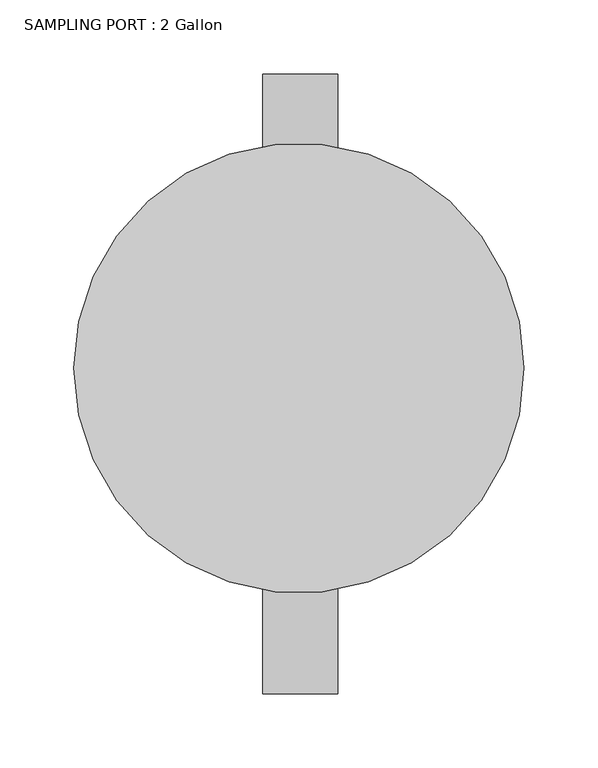
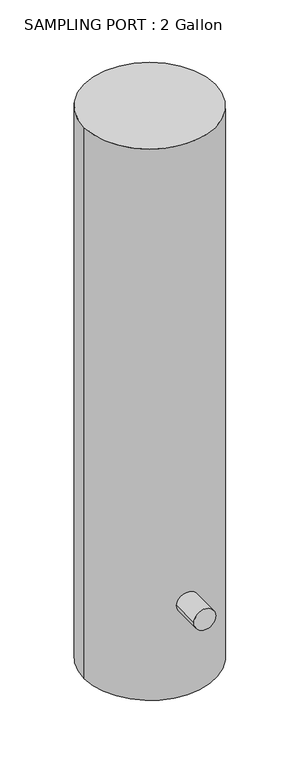
"""IFC4 building model written with IfcOpenShell, lengths in millimetres: proxy geometry, SAMPLING PORT : 2 Gallon."""

from ifc_helpers import new_model, si_unit, point, frame, frame_2d, origin, place, context, project, spatial, circle_curve, trimmed, segment, composite_curve, outline, extrude, source, transform, mapped, element, save


def sampling_port_2_gallon_5a383b81(model_context):
    return source(origin(), model_context, "Body", "SweptSolid", [
        extrude(outline(composite_curve([segment(trimmed(circle_curve(frame_2d((-26.9875, -0.3640552)), 25.4), [point((-26.9875, -25.7640552))], [point((-26.9875, 25.0359448))], False, "CARTESIAN"), True, "CONTINUOUS"), segment(trimmed(circle_curve(frame_2d((-26.9875, -0.3640552)), 25.4), [point((-26.9875, 25.0359448))], [point((-26.9875, -25.7640552))], False, "CARTESIAN"), True, "CONTINUOUS")], self_intersect=False)), frame((0.0, 147.3999882, 0.0), z_axis=(0.0, 1.0, 0.0), x_axis=(0.0, 0.0, 1.0)), (0.0, 0.0, 1.0), 52.38134),
        extrude(outline(composite_curve([segment(trimmed(circle_curve(frame_2d((-26.9875, -0.3640552)), 25.4), [point((-26.9875, -25.7640552))], [point((-26.9875, 25.0359448))], False, "CARTESIAN"), True, "CONTINUOUS"), segment(trimmed(circle_curve(frame_2d((-26.9875, -0.3640552)), 25.4), [point((-26.9875, 25.0359448))], [point((-26.9875, -25.7640552))], False, "CARTESIAN"), True, "CONTINUOUS")], self_intersect=False)), frame((0.0, -220.0028803, 0.0), z_axis=(0.0, 1.0, 0.0), x_axis=(0.0, 0.0, 1.0)), (0.0, 0.0, 1.0), 77.203183),
        extrude(outline(composite_curve([segment(trimmed(circle_curve(frame_2d((-1.3856713, 0.3396108)), 152.4), [point((-153.7856713, 0.3396108))], [point((151.0143287, 0.3396108))], False, "CARTESIAN"), True, "CONTINUOUS"), segment(trimmed(circle_curve(frame_2d((-1.3856713, 0.3396108)), 152.4), [point((151.0143287, 0.3396108))], [point((-153.7856713, 0.3396108))], False, "CARTESIAN"), True, "CONTINUOUS")], self_intersect=False)), frame((0.0, 0.0, -252.7565916), z_axis=(0.0, 0.0, 1.0), x_axis=(1.0, 0.0, 0.0)), (0.0, 0.0, 1.0), 1354.8724031),
    ])


if __name__ == "__main__":
    model = new_model("IFC4")
    model_context = context("Model", 3, world=origin())
    ifc_project = project(units=[si_unit("LENGTHUNIT", "METRE", prefix="MILLI")], contexts=[model_context])
    site = spatial("IfcSite", under=ifc_project)
    building = spatial("IfcBuilding", under=site)
    placement = place(None, origin())
    sampling_port_2_gallon_shape = sampling_port_2_gallon_5a383b81(model_context)
    element("IfcBuildingElementProxy", 1, Name="SAMPLING PORT : 2 Gallon", ObjectType="SAMPLING PORT : 2 Gallon", at=placement, inside=building, context=model_context, shape_type="MappedRepresentation", body=[
        mapped(sampling_port_2_gallon_shape, transform((0.0, 0.0, 0.0), x_axis=(1.0, 0.0, 0.0), y_axis=(0.0, 1.0, 0.0), z_axis=(0.0, 0.0, 1.0))),
    ])
    save(model, "model.ifc")
